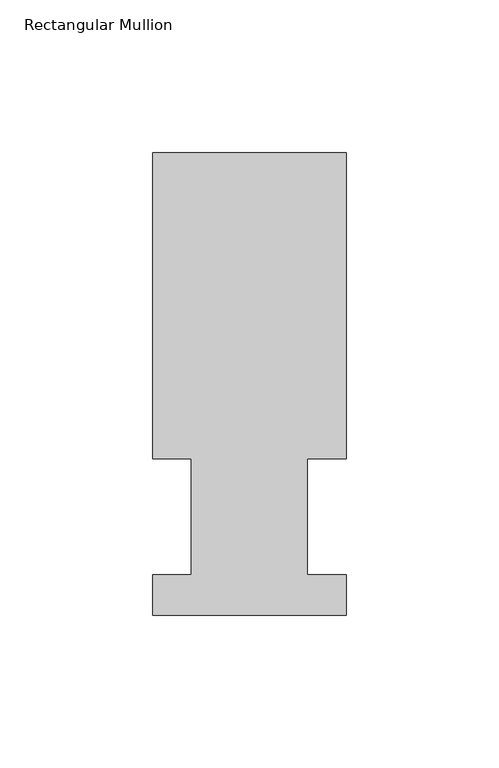
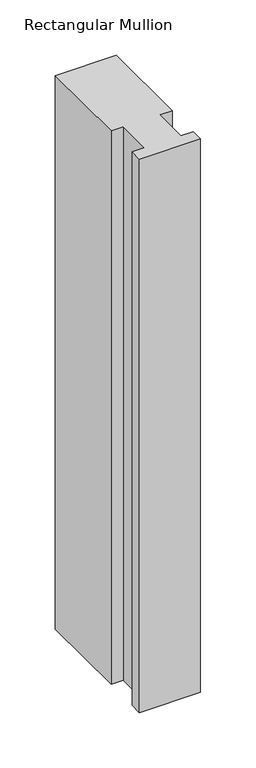
"""IFC4 building model written with IfcOpenShell, lengths in millimetres: member geometry, Rectangular Mullion."""

from ifc_helpers import new_model, si_unit, frame, origin, place, context, project, spatial, polyline, outline, extrude, source, transform, mapped, element, save


def rectangular_mullion_c87ab880(model_context):
    return source(origin(), model_context, "Body", "SweptSolid", [
        extrude(outline(polyline([(0.0, 13.1960937), (0.0, 0.0134937), (-63.5000001, 0.0134937), (-63.5000001, 13.1960937), (-50.8000001, 13.1960937), (-50.8000001, 51.2960937), (-63.5, 51.2960937), (-63.5, 151.7022937), (0.0, 151.7022938), (0.0, 51.2960937), (-12.6873001, 51.2960937), (-12.6873001, 13.1960937), (0.0, 13.1960937)])), frame((0.0, 0.0, -609.6), z_axis=(0.0, 0.0, 1.0), x_axis=(1.0, 0.0, 0.0)), (0.0, 0.0, 1.0), 609.6),
    ])


if __name__ == "__main__":
    model = new_model("IFC4")
    model_context = context("Model", 3, world=origin())
    ifc_project = project(units=[si_unit("LENGTHUNIT", "METRE", prefix="MILLI")], contexts=[model_context])
    site = spatial("IfcSite", under=ifc_project)
    building = spatial("IfcBuilding", under=site)
    placement = place(None, origin())
    rectangular_mullion_shape = rectangular_mullion_c87ab880(model_context)
    element("IfcMember", 1, ObjectType="Rectangular Mullion", at=placement, inside=building, context=model_context, shape_type="MappedRepresentation", body=[
        mapped(rectangular_mullion_shape, transform((0.0, 0.0, 0.0), x_axis=(1.0, 0.0, 0.0), y_axis=(0.0, 1.0, 0.0), z_axis=(0.0, 0.0, 1.0))),
    ])
    save(model, "model.ifc")
